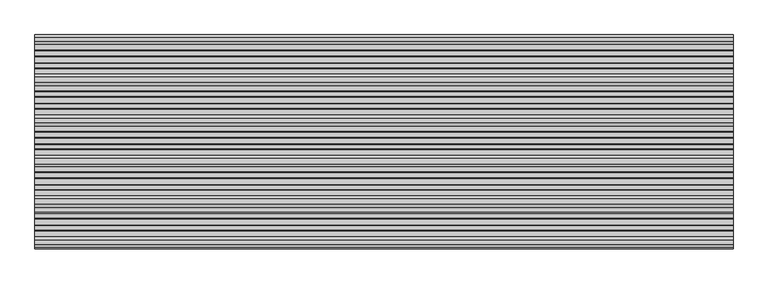
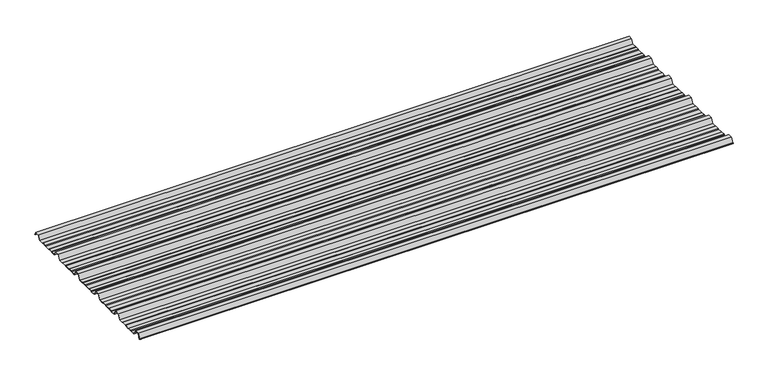
"""IFC4 building model written with IfcOpenShell, lengths in millimetres: beam geometry."""

from ifc_helpers import new_model, si_unit, point, frame, frame_2d, origin, place, context, project, spatial, polyline, circle_curve, trimmed, segment, composite_curve, outline, extrude, source, transform, mapped, element, save


def beam_cd608350(model_context):
    return source(origin(), model_context, "Body", "SweptSolid", [
        extrude(outline(composite_curve([segment(polyline([(-41.155409, -25.7896475), (-45.2820109, -23.7896475), (-62.8888461, -23.7896475), (-66.1530101, -25.7896475), (-88.4400183, -25.7896475), (-91.4814768, -23.7896475), (-107.1472807, -23.7896475), (-110.1909225, -25.7896475), (-130.513361, -25.7896475), (-142.4987169, -4.7896475), (-161.4999361, -4.7896475), (-173.513361, -25.7896475), (-193.155409, -25.7896475), (-197.2820109, -23.7896475), (-214.8888461, -23.7896475), (-218.1530101, -25.7896475), (-240.4400183, -25.7896475), (-243.4814768, -23.7896475), (-259.1472807, -23.7896475), (-262.1909225, -25.7896475), (-282.513361, -25.7896475), (-294.4987169, -4.7896475), (-313.4999361, -4.7896475), (-325.513361, -25.7896475), (-345.155409, -25.7896475), (-349.2820109, -23.7896475), (-366.8888461, -23.7896475), (-370.1530101, -25.7896475), (-392.4400183, -25.7896475), (-395.4814768, -23.7896475), (-411.1472807, -23.7896475), (-414.1909225, -25.7896475), (-434.513361, -25.7896475), (-446.4987169, -4.7896475), (-465.4999361, -4.7896475), (-477.513361, -25.7896475), (-497.155409, -25.7896475), (-501.2820109, -23.7896475), (-518.8888461, -23.7896475), (-522.1530101, -25.7896475), (-544.4400183, -25.7896475), (-547.4814768, -23.7896475), (-563.1472807, -23.7896475), (-566.1909225, -25.7896475), (-586.513361, -25.7896475), (-598.4987169, -4.7896475), (-617.4999361, -4.7896475), (-629.513361, -25.7896475), (-649.155409, -25.7896475), (-653.2820109, -23.7896475), (-670.8888461, -23.7896475), (-674.1530101, -25.7896475), (-696.4400183, -25.7896475), (-699.4814768, -23.7896475), (-715.1472807, -23.7896475), (-718.1909225, -25.7896475), (-738.513361, -25.7896475), (-750.4987169, -4.7896475), (-769.4999361, -4.7896475), (-780.3692253, -23.7896475), (-783.804755, -23.7896475)]), True, "CONTINUOUS"), segment(trimmed(circle_curve(frame_2d((-783.804755, -23.2896475)), 0.5), [point((-783.804755, -23.7896475))], [point((-783.804755, -22.7896475))], False, "CARTESIAN"), True, "CONTINUOUS"), segment(polyline([(-783.804755, -22.7896475), (-780.8686157, -22.7896475), (-769.9993265, -3.7896475), (-749.9993265, -3.7896475), (-738.0139706, -24.7896475), (-718.4900736, -24.7896475), (-715.4464317, -22.7896475), (-699.1821463, -22.7896475), (-696.1406878, -24.7896475), (-674.4350053, -24.7896475), (-671.1708413, -22.7896475), (-653.0524511, -22.7896475), (-648.9258491, -24.7896475), (-630.0127514, -24.7896475), (-617.9993265, -3.7896475), (-597.9993265, -3.7896475), (-586.0139706, -24.7896475), (-566.4900736, -24.7896475), (-563.4464317, -22.7896475), (-547.1821463, -22.7896475), (-544.1406878, -24.7896475), (-522.4350053, -24.7896475), (-519.1708413, -22.7896475), (-501.0524511, -22.7896475), (-496.9258491, -24.7896475), (-478.0127514, -24.7896475), (-465.9993265, -3.7896475), (-445.9993265, -3.7896475), (-434.0139706, -24.7896475), (-414.4900736, -24.7896475), (-411.4464317, -22.7896475), (-395.1821463, -22.7896475), (-392.1406878, -24.7896475), (-370.4350053, -24.7896475), (-367.1708413, -22.7896475), (-349.0524511, -22.7896475), (-344.9258491, -24.7896475), (-326.0127514, -24.7896475), (-313.9993265, -3.7896475), (-293.9993265, -3.7896475), (-282.0139706, -24.7896475), (-262.4900736, -24.7896475), (-259.4464317, -22.7896475), (-243.1821463, -22.7896475), (-240.1406878, -24.7896475), (-218.4350053, -24.7896475), (-215.1708413, -22.7896475), (-197.0524511, -22.7896475), (-192.9258491, -24.7896475), (-174.0127514, -24.7896475), (-161.9993265, -3.7896475), (-141.9993265, -3.7896475), (-130.0139706, -24.7896475), (-110.4900736, -24.7896475), (-107.4464317, -22.7896475), (-91.1821463, -22.7896475), (-88.1406878, -24.7896475), (-66.4350053, -24.7896475), (-63.1708413, -22.7896475), (-45.0524511, -22.7896475), (-40.9258491, -24.7896475), (-19.7086146, -24.7896475), (-8.8393254, -5.7896475), (8.8393254, -5.7896475), (16.8315702, -19.793165)]), True, "CONTINUOUS"), segment(trimmed(circle_curve(frame_2d((16.4279743, -20.0235098)), 0.4647024), [point((16.8315702, -19.793165))], [point((16.0243785, -20.2538545))], False, "CARTESIAN"), True, "CONTINUOUS"), segment(polyline([(16.0243785, -20.2538545), (8.339935, -6.7896475), (-8.339935, -6.7896475), (-19.2092242, -25.7896475), (-41.155409, -25.7896475)]), True, "CONTINUOUS")], self_intersect=False)), frame((-1305.1332383, 0.0, 0.0), z_axis=(1.0, 0.0, 0.0), x_axis=(0.0, 1.0, 0.0)), (0.0, 0.0, 1.0), 2610.2664766),
    ])


if __name__ == "__main__":
    model = new_model("IFC4")
    model_context = context("Model", 3, world=origin())
    ifc_project = project(units=[si_unit("LENGTHUNIT", "METRE", prefix="MILLI")], contexts=[model_context])
    site = spatial("IfcSite", under=ifc_project)
    building = spatial("IfcBuilding", under=site)
    placement = place(None, origin())
    beam_shape = beam_cd608350(model_context)
    element("IfcBeam", 1, at=placement, inside=building, context=model_context, shape_type="MappedRepresentation", body=[
        mapped(beam_shape, transform((0.0, 0.0, 0.0), x_axis=(1.0, 0.0, 0.0), y_axis=(0.0, 1.0, 0.0), z_axis=(0.0, 0.0, 1.0))),
    ])
    save(model, "model.ifc")
